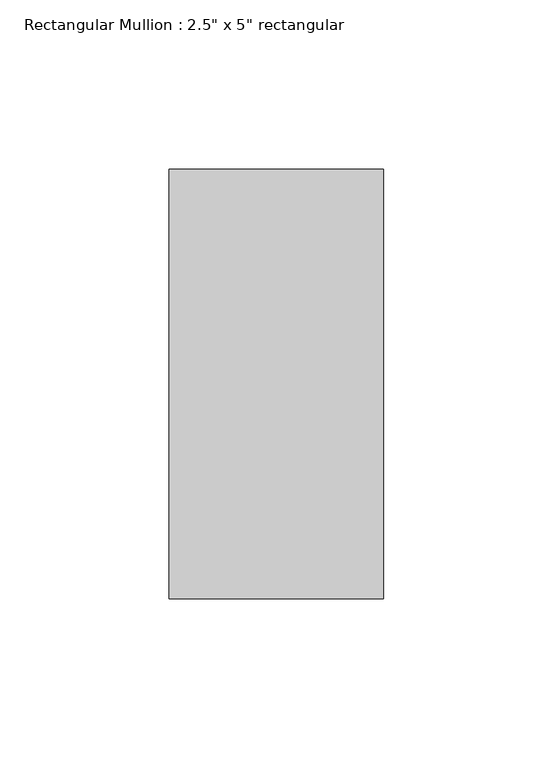
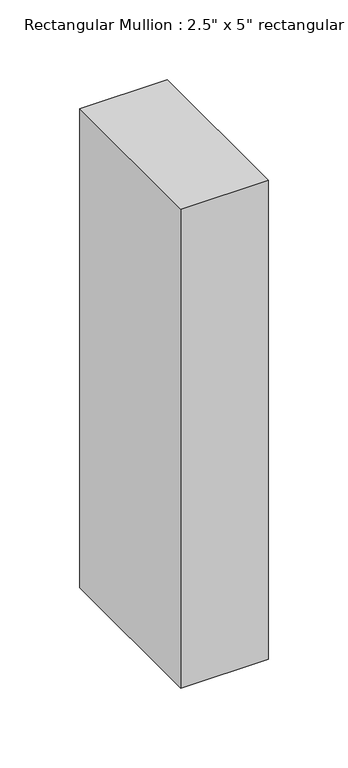
"""IFC4 building model written with IfcOpenShell, lengths in millimetres: member geometry."""

from ifc_helpers import new_model, si_unit, frame, origin, place, context, project, spatial, polyline, outline, extrude, source, transform, mapped, element, save


def member_b01e01dc(model_context):
    return source(origin(), model_context, "Body", "SweptSolid", [
        extrude(outline(polyline([(0.0, 63.5), (0.0, -63.5), (-63.5, -63.5), (-63.5, 63.5), (0.0, 63.5)])), frame((0.0, 0.0, -367.3928571), z_axis=(0.0, 0.0, 1.0), x_axis=(1.0, 0.0, 0.0)), (0.0, 0.0, 1.0), 367.3928571),
    ])


if __name__ == "__main__":
    model = new_model("IFC4")
    model_context = context("Model", 3, world=origin())
    ifc_project = project(units=[si_unit("LENGTHUNIT", "METRE", prefix="MILLI")], contexts=[model_context])
    site = spatial("IfcSite", under=ifc_project)
    building = spatial("IfcBuilding", under=site)
    placement = place(None, origin())
    member_shape = member_b01e01dc(model_context)
    element("IfcMember", 1, ObjectType="Rectangular Mullion : 2.5\" x 5\" rectangular", at=placement, inside=building, context=model_context, shape_type="MappedRepresentation", body=[
        mapped(member_shape, transform((0.0, 0.0, 0.0), x_axis=(1.0, 0.0, 0.0), y_axis=(0.0, 1.0, 0.0), z_axis=(0.0, 0.0, 1.0))),
    ])
    save(model, "model.ifc")
